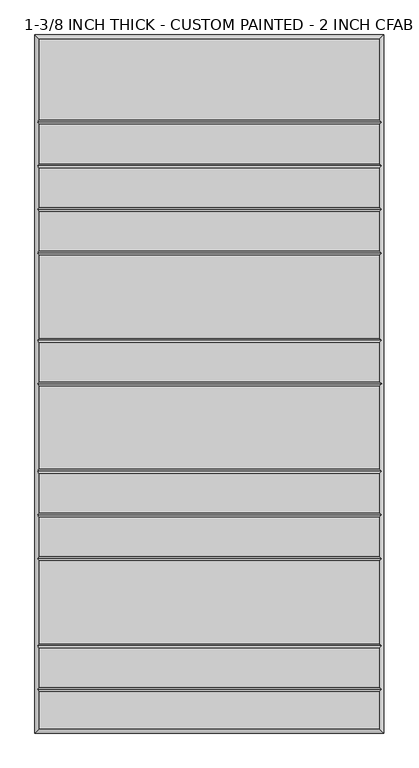
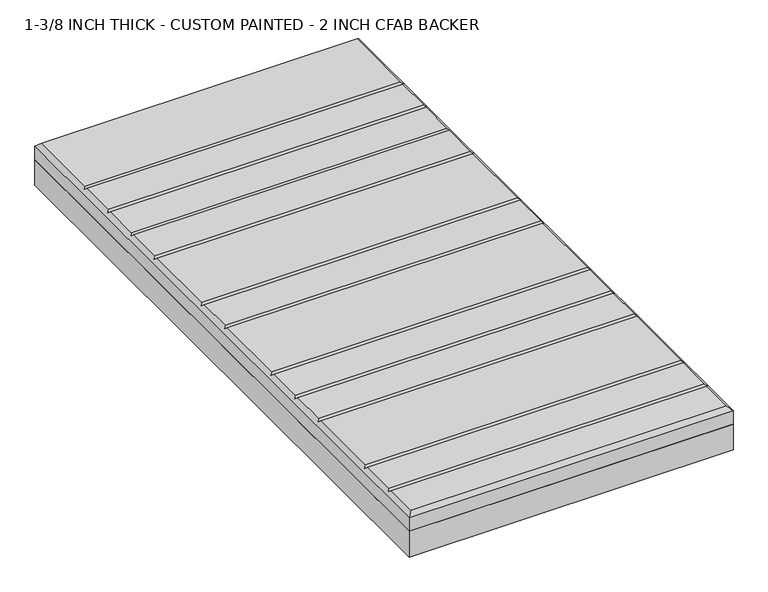
"""IFC4 building model written with IfcOpenShell, lengths in millimetres: proxy geometry, 1-3/8 INCH THICK - CUSTOM PAINTED - 2 INCH CFAB BACKER."""

from ifc_helpers import new_model, si_unit, frame, origin, place, context, project, spatial, polyline, outline, extrude, faceted_brep, source, transform, mapped, element, save


def proxy_1_3_8_inch_thick_custom_painted_2_inch_cfab_backer_39734fdf(model_context):
    return source(origin(), model_context, "Body", "SolidModel", [
        extrude(outline(polyline([(-304.8, 609.6), (304.8, 609.6), (304.8, -609.6), (-304.8, -609.6), (-304.8, 609.6)])), frame((0.0, 0.0, -50.8), z_axis=(0.0, 0.0, 1.0), x_axis=(1.0, 0.0, 0.0)), (0.0, 0.0, 1.0), 50.8),
        faceted_brep([(296.799, 601.599, 34.925), (-296.799, 601.599, 34.925), (-296.799, 461.2005, 34.925), (296.799, 461.2005, 34.925), (-296.799, -601.599, 34.925), (296.799, -601.599, 34.925), (296.799, -537.4005, 34.925), (-296.799, -537.4005, 34.925), (296.799, 376.9995, 34.925), (-296.799, 376.9995, 34.925), (-296.799, 308.8005, 34.925), (296.799, 308.8005, 34.925), (-296.799, 385.0005, 34.925), (296.799, 385.0005, 34.925), (296.799, 453.1995, 34.925), (-296.799, 453.1995, 34.925), (296.799, 300.7995, 34.925), (-296.799, 300.7995, 34.925), (-296.799, 232.6005, 34.925), (296.799, 232.6005, 34.925), (296.799, 224.5995, 34.925), (-296.799, 224.5995, 34.925), (-296.799, 80.2005, 34.925), (296.799, 80.2005, 34.925), (296.799, 72.1995, 34.925), (-296.799, 72.1995, 34.925), (-296.799, 4.0005, 34.925), (296.799, 4.0005, 34.925), (296.799, -4.0005, 34.925), (-296.799, -4.0005, 34.925), (-296.799, -148.3995, 34.925), (296.799, -148.3995, 34.925), (296.799, -156.4005, 34.925), (-296.799, -156.4005, 34.925), (-296.799, -224.5995, 34.925), (296.799, -224.5995, 34.925), (296.799, -232.6005, 34.925), (-296.799, -232.6005, 34.925), (-296.799, -300.7995, 34.925), (296.799, -300.7995, 34.925), (296.799, -308.8005, 34.925), (-296.799, -308.8005, 34.925), (-296.799, -453.1995, 34.925), (296.799, -453.1995, 34.925), (296.799, -461.2005, 34.925), (-296.799, -461.2005, 34.925), (-296.799, -529.3995, 34.925), (296.799, -529.3995, 34.925), (-304.8, 609.6, 0.0), (304.8, 609.6, 0.0), (304.8, -609.6, 0.0), (-304.8, -609.6, 0.0), (-304.8, -609.6, 26.924), (-304.8, 609.6, 26.924), (304.8, -609.6, 26.924), (304.8, 609.6, 26.924), (-300.7995, -533.4, 30.9245), (-300.7995, -457.2, 30.9245), (-300.7995, -304.8, 30.9245), (-300.7995, -228.6, 30.9245), (-300.7995, -152.4, 30.9245), (-300.7995, 0.0, 30.9245), (-300.7995, 76.2, 30.9245), (-300.7995, 228.6, 30.9245), (-300.7995, 304.8, 30.9245), (-300.7995, 381.0, 30.9245), (-300.7995, 457.2, 30.9245), (300.7995, 457.2, 30.9245), (300.7995, 381.0, 30.9245), (300.7995, 304.8, 30.9245), (300.7995, 228.6, 30.9245), (300.7995, 76.2, 30.9245), (300.7995, 0.0, 30.9245), (300.7995, -152.4, 30.9245), (300.7995, -228.6, 30.9245), (300.7995, -304.8, 30.9245), (300.7995, -457.2, 30.9245), (300.7995, -533.4, 30.9245)], [[[0, 1, 2, 3]], [[4, 5, 6, 7]], [[8, 9, 10, 11]], [[12, 13, 14, 15]], [[16, 17, 18, 19]], [[20, 21, 22, 23]], [[24, 25, 26, 27]], [[28, 29, 30, 31]], [[32, 33, 34, 35]], [[36, 37, 38, 39]], [[40, 41, 42, 43]], [[44, 45, 46, 47]], [[48, 49, 50, 51]], [[48, 51, 52, 53]], [[51, 50, 54, 52]], [[50, 49, 55, 54]], [[49, 48, 53, 55]], [[53, 1, 0, 55]], [[1, 53, 52, 4, 7, 56, 46, 45, 57, 42, 41, 58, 38, 37, 59, 34, 33, 60, 30, 29, 61, 26, 25, 62, 22, 21, 63, 18, 17, 64, 10, 9, 65, 12, 15, 66, 2]], [[4, 52, 54, 5]], [[55, 0, 3, 67, 14, 13, 68, 8, 11, 69, 16, 19, 70, 20, 23, 71, 24, 27, 72, 28, 31, 73, 32, 35, 74, 36, 39, 75, 40, 43, 76, 44, 47, 77, 6, 5, 54]], [[68, 65, 9, 8]], [[65, 68, 13, 12]], [[69, 64, 17, 16]], [[64, 69, 11, 10]], [[70, 63, 21, 20]], [[63, 70, 19, 18]], [[71, 62, 25, 24]], [[62, 71, 23, 22]], [[72, 61, 29, 28]], [[61, 72, 27, 26]], [[73, 60, 33, 32]], [[60, 73, 31, 30]], [[74, 59, 37, 36]], [[59, 74, 35, 34]], [[75, 58, 41, 40]], [[58, 75, 39, 38]], [[76, 57, 45, 44]], [[57, 76, 43, 42]], [[77, 56, 7, 6]], [[56, 77, 47, 46]], [[67, 66, 15, 14]], [[66, 67, 3, 2]]]),
    ])


if __name__ == "__main__":
    model = new_model("IFC4")
    model_context = context("Model", 3, world=origin())
    ifc_project = project(units=[si_unit("LENGTHUNIT", "METRE", prefix="MILLI")], contexts=[model_context])
    site = spatial("IfcSite", under=ifc_project)
    building = spatial("IfcBuilding", under=site)
    placement = place(None, origin())
    proxy_1_3_8_inch_thick_custom_painted_2_inch_cfab_backer_shape = proxy_1_3_8_inch_thick_custom_painted_2_inch_cfab_backer_39734fdf(model_context)
    element("IfcBuildingElementProxy", 1, Name="1-3/8 INCH THICK - CUSTOM PAINTED - 2 INCH CFAB BACKER", ObjectType="1-3/8 INCH THICK - CUSTOM PAINTED - 2 INCH CFAB BACKER", at=placement, inside=building, context=model_context, shape_type="MappedRepresentation", body=[
        mapped(proxy_1_3_8_inch_thick_custom_painted_2_inch_cfab_backer_shape, transform((0.0, 0.0, 0.0), x_axis=(1.0, 0.0, 0.0), y_axis=(0.0, 1.0, 0.0), z_axis=(0.0, 0.0, 1.0))),
    ])
    save(model, "model.ifc")
